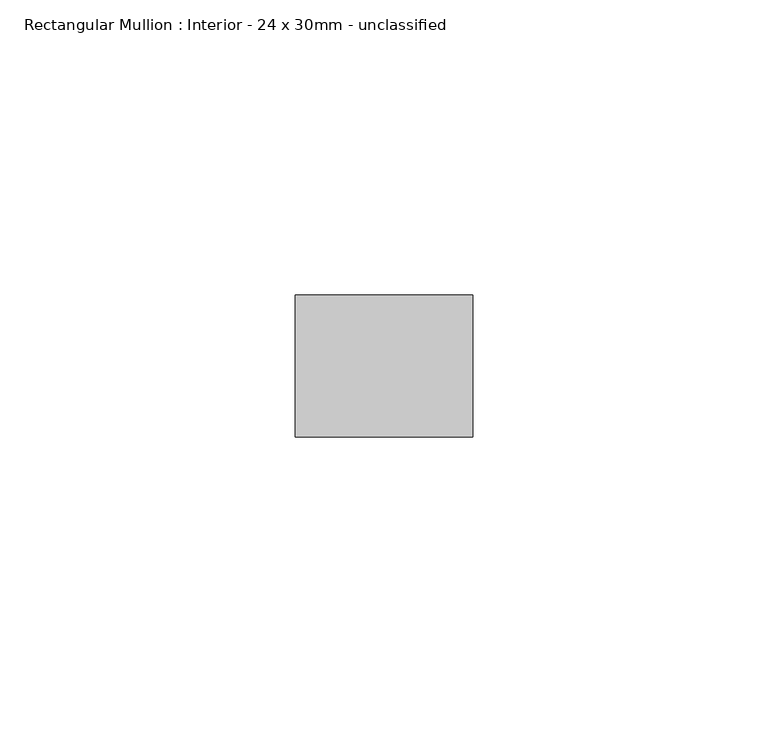
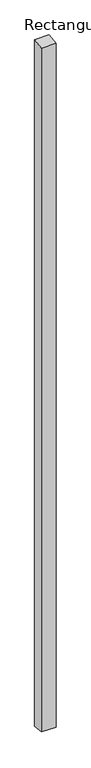
"""IFC4 building model written with IfcOpenShell, lengths in millimetres: member geometry, Rectangular Mullion : Interior - 24 x 30mm - unclassified."""

from ifc_helpers import new_model, si_unit, frame, origin, place, context, project, spatial, polyline, outline, extrude, source, transform, mapped, element, save


def rectangular_mullion_interior_24_x_30mm_unclassified_38aad447(model_context):
    return source(origin(), model_context, "Body", "SweptSolid", [
        extrude(outline(polyline([(-12.0, -1.8205983), (12.0, 1.8205983), (12.0, -1501.2807107), (-12.0, -1498.7192893), (-12.0, -1.8205983)])), frame((-30.0, 0.0, 0.0), z_axis=(1.0, 0.0, 0.0), x_axis=(0.0, 1.0, 0.0)), (0.0, 0.0, 1.0), 30.0),
    ])


if __name__ == "__main__":
    model = new_model("IFC4")
    model_context = context("Model", 3, world=origin())
    ifc_project = project(units=[si_unit("LENGTHUNIT", "METRE", prefix="MILLI")], contexts=[model_context])
    site = spatial("IfcSite", under=ifc_project)
    building = spatial("IfcBuilding", under=site)
    placement = place(None, origin())
    rectangular_mullion_interior_24_x_30mm_unclassified_shape = rectangular_mullion_interior_24_x_30mm_unclassified_38aad447(model_context)
    element("IfcMember", 1, ObjectType="Rectangular Mullion : Interior - 24 x 30mm - unclassified", at=placement, inside=building, context=model_context, shape_type="MappedRepresentation", body=[
        mapped(rectangular_mullion_interior_24_x_30mm_unclassified_shape, transform((0.0, 0.0, 0.0), x_axis=(1.0, 0.0, 0.0), y_axis=(0.0, 1.0, 0.0), z_axis=(0.0, 0.0, 1.0))),
    ])
    save(model, "model.ifc")
